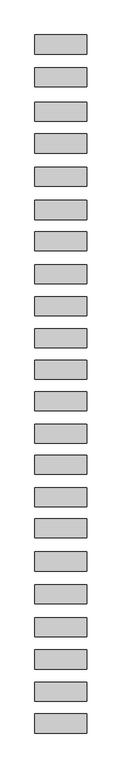
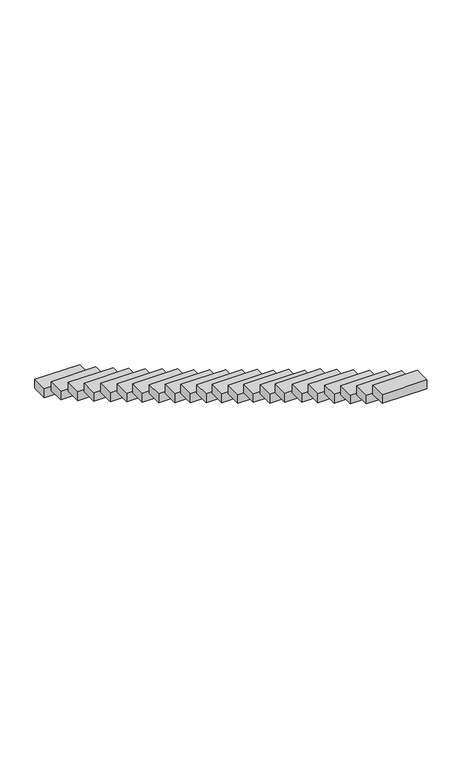
"""IFC4 building model written with IfcOpenShell, lengths in millimetres: proxy geometry."""

from ifc_helpers import new_model, si_unit, frame, origin, place, context, project, spatial, polyline, outline, extrude, source, transform, mapped, element, save


def generic_models_9e4e3849(model_context):
    return source(origin(), model_context, "Body", "SweptSolid", [
        extrude(outline(polyline([(-600.0, -4452.1070978), (-600.0, -4012.1070978), (600.0, -4012.1070978), (600.0, -4452.1070978), (-600.0, -4452.1070978)])), frame((0.0, 0.0, 2637.5029155), z_axis=(0.0, 0.0, 1.0), x_axis=(1.0, 0.0, 0.0)), (0.0, 0.0, 1.0), 250.0),
        extrude(outline(polyline([(-600.0, -3719.9815392), (-600.0, -3279.9815392), (600.0, -3279.9815392), (600.0, -3719.9815392), (-600.0, -3719.9815392)])), frame((0.0, 0.0, 2179.605454), z_axis=(0.0, 0.0, 1.0), x_axis=(1.0, 0.0, 0.0)), (0.0, 0.0, 1.0), 250.0),
        extrude(outline(polyline([(-600.0, -2975.2910671), (-600.0, -2535.2910671), (600.0, -2535.2910671), (600.0, -2975.2910671), (-600.0, -2975.2910671)])), frame((0.0, 0.0, 1727.1954858), z_axis=(0.0, 0.0, 1.0), x_axis=(1.0, 0.0, 0.0)), (0.0, 0.0, 1.0), 250.0),
        extrude(outline(polyline([(-600.0, -2232.9219943), (-600.0, -1792.9219943), (600.0, -1792.9219943), (600.0, -2232.9219943), (-600.0, -2232.9219943)])), frame((0.0, 0.0, 1295.7586092), z_axis=(0.0, 0.0, 1.0), x_axis=(1.0, 0.0, 0.0)), (0.0, 0.0, 1.0), 250.0),
        extrude(outline(polyline([(-600.0, -1474.2055789), (-600.0, -1034.2055789), (600.0, -1034.2055789), (600.0, -1474.2055789), (-600.0, -1474.2055789)])), frame((0.0, 0.0, 851.7004515), z_axis=(0.0, 0.0, 1.0), x_axis=(1.0, 0.0, 0.0)), (0.0, 0.0, 1.0), 250.0),
        extrude(outline(polyline([(-600.0, -714.9452731), (-600.0, -274.9452731), (600.0, -274.9452731), (600.0, -714.9452731), (-600.0, -714.9452731)])), frame((0.0, 0.0, 401.6682546), z_axis=(0.0, 0.0, 1.0), x_axis=(1.0, 0.0, 0.0)), (0.0, 0.0, 1.0), 250.0),
        extrude(outline(polyline([(-600.0, 52.3669377), (-600.0, 492.3669377), (600.0, 492.3669377), (600.0, 52.3669377), (-600.0, 52.3669377)])), frame((0.0, 0.0, -53.1204325), z_axis=(0.0, 0.0, 1.0), x_axis=(1.0, 0.0, 0.0)), (0.0, 0.0, 1.0), 250.0),
        extrude(outline(polyline([(-600.0, 764.0054956), (-600.0, 1204.0054956), (600.0, 1204.0054956), (600.0, 764.0054956), (-600.0, 764.0054956)])), frame((0.0, 0.0, -518.639649), z_axis=(0.0, 0.0, 1.0), x_axis=(1.0, 0.0, 0.0)), (0.0, 0.0, 1.0), 250.0),
        extrude(outline(polyline([(-600.0, 1516.5612206), (-600.0, 1956.5612206), (600.0, 1956.5612206), (600.0, 1516.5612206), (-600.0, 1516.5612206)])), frame((0.0, 0.0, -950.5630713), z_axis=(0.0, 0.0, 1.0), x_axis=(1.0, 0.0, 0.0)), (0.0, 0.0, 1.0), 250.0),
        extrude(outline(polyline([(-600.0, 2236.0650313), (-600.0, 2676.0650313), (600.0, 2676.0650313), (600.0, 2236.0650313), (-600.0, 2236.0650313)])), frame((0.0, 0.0, -1415.5952682), z_axis=(0.0, 0.0, 1.0), x_axis=(1.0, 0.0, 0.0)), (0.0, 0.0, 1.0), 250.0),
        extrude(outline(polyline([(-600.0, 2981.2425134), (-600.0, 3421.2425134), (600.0, 3421.2425134), (600.0, 2981.2425134), (-600.0, 2981.2425134)])), frame((0.0, 0.0, -1843.9228965), z_axis=(0.0, 0.0, 1.0), x_axis=(1.0, 0.0, 0.0)), (0.0, 0.0, 1.0), 250.0),
        extrude(outline(polyline([(-600.0, 3706.6394787), (-600.0, 4146.6394787), (600.0, 4146.6394787), (600.0, 3706.6394787), (-600.0, 3706.6394787)])), frame((0.0, 0.0, -2291.4270649), z_axis=(0.0, 0.0, 1.0), x_axis=(1.0, 0.0, 0.0)), (0.0, 0.0, 1.0), 250.0),
        extrude(outline(polyline([(-600.0, 4440.3498507), (-600.0, 4880.3498507), (600.0, 4880.3498507), (600.0, 4440.3498507), (-600.0, 4440.3498507)])), frame((0.0, 0.0, -2734.8587793), z_axis=(0.0, 0.0, 1.0), x_axis=(1.0, 0.0, 0.0)), (0.0, 0.0, 1.0), 250.0),
        extrude(outline(polyline([(-600.0, 5170.1047246), (-600.0, 5610.1047246), (600.0, 5610.1047246), (600.0, 5170.1047246), (-600.0, 5170.1047246)])), frame((0.0, 0.0, -3176.2734434), z_axis=(0.0, 0.0, 1.0), x_axis=(1.0, 0.0, 0.0)), (0.0, 0.0, 1.0), 250.0),
        extrude(outline(polyline([(-600.0, 5915.8681319), (-600.0, 6355.8681319), (600.0, 6355.8681319), (600.0, 5915.8681319), (-600.0, 5915.8681319)])), frame((0.0, 0.0, -3630.4949276), z_axis=(0.0, 0.0, 1.0), x_axis=(1.0, 0.0, 0.0)), (0.0, 0.0, 1.0), 250.0),
        extrude(outline(polyline([(-600.0, 6672.0264284), (-600.0, 7112.0264284), (600.0, 7112.0264284), (600.0, 6672.0264284), (-600.0, 6672.0264284)])), frame((0.0, 0.0, -4068.9266419), z_axis=(0.0, 0.0, 1.0), x_axis=(1.0, 0.0, 0.0)), (0.0, 0.0, 1.0), 250.0),
        extrude(outline(polyline([(-600.0, 7395.5966532), (-600.0, 7835.5966532), (600.0, 7835.5966532), (600.0, 7395.5966532), (-600.0, 7395.5966532)])), frame((0.0, 0.0, -4502.3583563), z_axis=(0.0, 0.0, 1.0), x_axis=(1.0, 0.0, 0.0)), (0.0, 0.0, 1.0), 250.0),
        extrude(outline(polyline([(-600.0, 8163.5532523), (-600.0, 8603.5532523), (600.0, 8603.5532523), (600.0, 8163.5532523), (-600.0, 8163.5532523)])), frame((0.0, 0.0, -4960.5713153), z_axis=(0.0, 0.0, 1.0), x_axis=(1.0, 0.0, 0.0)), (0.0, 0.0, 1.0), 250.0),
        extrude(outline(polyline([(-600.0, 8930.1064195), (-600.0, 9370.1064195), (600.0, 9370.1064195), (600.0, 8930.1064195), (-600.0, 8930.1064195)])), frame((0.0, 0.0, -5419.7927995), z_axis=(0.0, 0.0, 1.0), x_axis=(1.0, 0.0, 0.0)), (0.0, 0.0, 1.0), 250.0),
        extrude(outline(polyline([(-600.0, 9662.6681293), (-600.0, 10102.6681293), (600.0, 10102.6681293), (600.0, 9662.6681293), (-600.0, 9662.6681293)])), frame((0.0, 0.0, -5841.031334), z_axis=(0.0, 0.0, 1.0), x_axis=(1.0, 0.0, 0.0)), (0.0, 0.0, 1.0), 250.0),
        extrude(outline(polyline([(-600.0, 10461.2383726), (-600.0, 10901.2383726), (600.0, 10901.2383726), (600.0, 10461.2383726), (-600.0, 10461.2383726)])), frame((0.0, 0.0, -6307.6647534), z_axis=(0.0, 0.0, 1.0), x_axis=(1.0, 0.0, 0.0)), (0.0, 0.0, 1.0), 250.0),
        extrude(outline(polyline([(-600.0, 11213.8000641), (-600.0, 11653.8000641), (600.0, 11653.8000641), (600.0, 11213.8000641), (-600.0, 11213.8000641)])), frame((0.0, 0.0, -6697.3552214), z_axis=(0.0, 0.0, 1.0), x_axis=(1.0, 0.0, 0.0)), (0.0, 0.0, 1.0), 250.0),
    ])


if __name__ == "__main__":
    model = new_model("IFC4")
    model_context = context("Model", 3, world=origin())
    ifc_project = project(units=[si_unit("LENGTHUNIT", "METRE", prefix="MILLI")], contexts=[model_context])
    site = spatial("IfcSite", under=ifc_project)
    building = spatial("IfcBuilding", under=site)
    placement = place(None, origin())
    generic_models_shape = generic_models_9e4e3849(model_context)
    element("IfcBuildingElementProxy", 1, Name="Generic Models", at=placement, inside=building, context=model_context, shape_type="MappedRepresentation", body=[
        mapped(generic_models_shape, transform((0.0, 0.0, 0.0), x_axis=(1.0, 0.0, 0.0), y_axis=(0.0, 1.0, 0.0), z_axis=(0.0, 0.0, 1.0))),
    ])
    save(model, "model.ifc")
